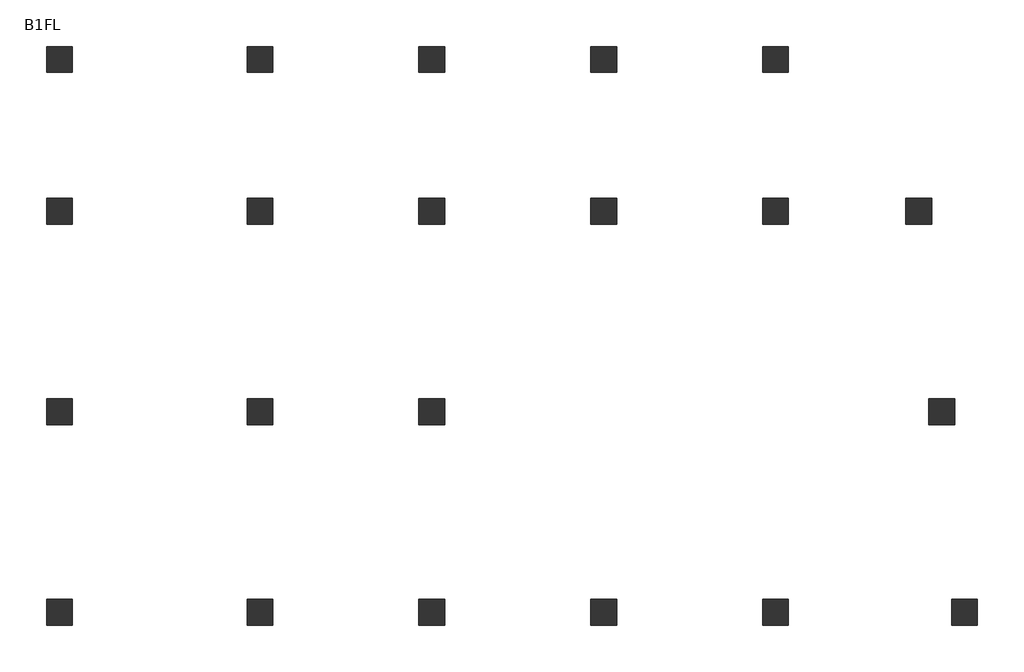
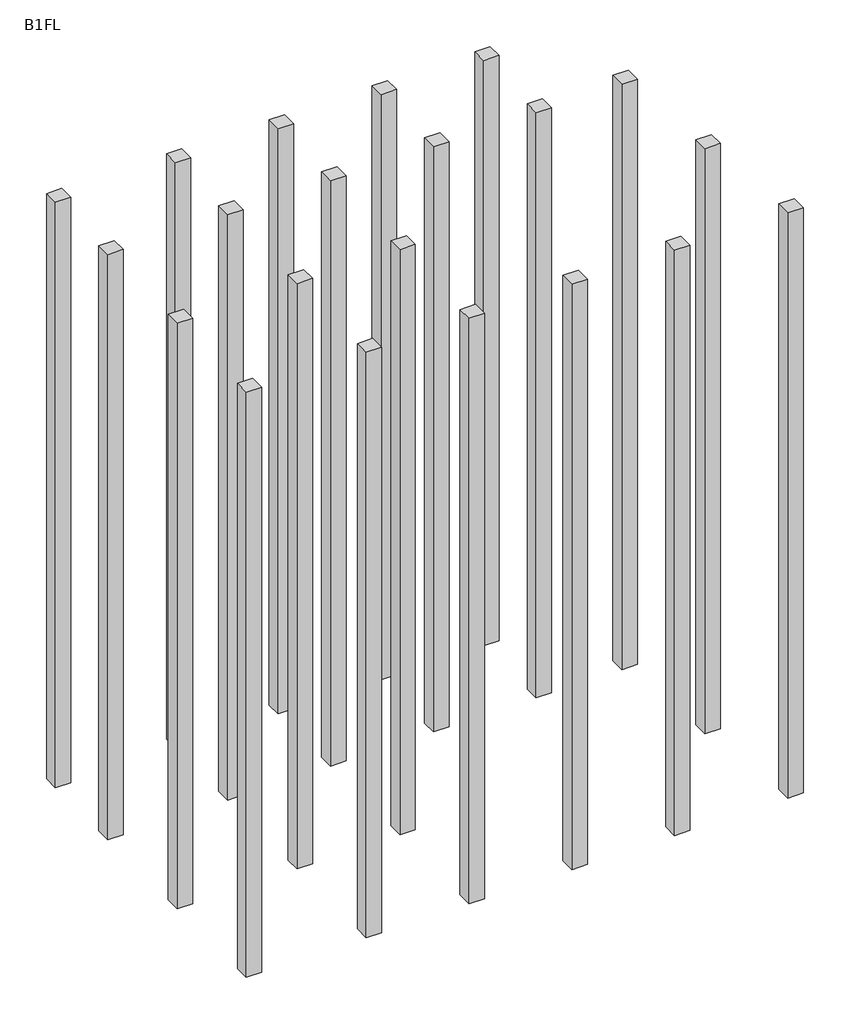
# One storey: 21 columns.
"""IFC4 building model written with IfcOpenShell, lengths in millimetres."""

import ifcopenshell
import ifcopenshell.guid

model = None  # the IFC model being written
_history = None  # IfcOwnerHistory: only IFC2X3 demands one
_inside = {}  # id of a spatial element -> (the spatial element, [elements in it])
_under = {}  # id of a project, library or spatial element -> (it, [spatial elements below it])
_declared = {}  # id of a project -> (the project, [libraries it declares])
_typed = {}  # id of a type object -> (the type object, [elements of that type])
_made_of = {}  # id of a material, layer set ... -> (it, [elements and type objects made of it])


def new_model(schema):
    """Start an empty IFC model of exactly this schema.

    Asked for "IFC4X3", IfcOpenShell would pick the latest addendum, in which some entities
    have other attributes; the version numbers below select the first issue.
    IFC2X3 requires an IfcOwnerHistory on every rooted entity: one is made here for all.
    """
    global model, _history
    if schema == "IFC4X3":
        model = ifcopenshell.file(schema_version=(4, 3, 0, 0))
    else:
        model = ifcopenshell.file(schema=schema)
    _inside.clear()
    _under.clear()
    _declared.clear()
    _typed.clear()
    _made_of.clear()
    _history = None
    if model.schema == "IFC2X3":
        org = make("IfcOrganization", Name="unknown")
        user = make(
            "IfcPersonAndOrganization",
            ThePerson=make("IfcPerson", FamilyName="unknown"),
            TheOrganization=org,
        )
        app = make(
            "IfcApplication",
            ApplicationDeveloper=org,
            Version="unknown",
            ApplicationFullName="unknown",
            ApplicationIdentifier="unknown",
        )
        _history = make(
            "IfcOwnerHistory",
            OwningUser=user,
            OwningApplication=app,
            ChangeAction="ADDED",
            CreationDate=0,
        )
    return model


def make(cls, **values):
    """One entity of the class cls with the attributes given. An attribute that is None is left unset."""
    return model.create_entity(
        cls, **{name: value for name, value in values.items() if value is not None}
    )


def rooted(cls, **values):
    """An entity with a GlobalId (a new one), such as an element, a storey or a relation."""
    return make(cls, GlobalId=ifcopenshell.guid.new(), OwnerHistory=_history, **values)


def si_unit(unit_type, name, prefix=None):
    """IfcSIUnit, for example si_unit("LENGTHUNIT", "METRE", prefix="MILLI")."""
    return make("IfcSIUnit", UnitType=unit_type, Prefix=prefix, Name=name)


def assignment(units):
    """IfcUnitAssignment: the units of a project."""
    return None if units is None else make("IfcUnitAssignment", Units=units)


def point(xyz):
    """IfcCartesianPoint."""
    return None if xyz is None else make("IfcCartesianPoint", Coordinates=xyz)


def direction(xyz):
    """IfcDirection."""
    return None if xyz is None else make("IfcDirection", DirectionRatios=xyz)


def frame(location, z_axis=None, x_axis=None):
    """IfcAxis2Placement3D, a coordinate frame: its origin and axes. An axis left out is left unset."""
    return make(
        "IfcAxis2Placement3D",
        Location=point(location),
        Axis=direction(z_axis),
        RefDirection=direction(x_axis),
    )


def origin():
    """The frame at (0, 0, 0) with its axes left unset."""
    return frame((0.0, 0.0, 0.0))


def place(relative_to, where):
    """IfcLocalPlacement: puts the frame where relative to a parent placement (None: the world)."""
    return make(
        "IfcLocalPlacement", PlacementRelTo=relative_to, RelativePlacement=where
    )


def context(
    kind, dimensions, precision=None, world=None, true_north=None, identifier=None
):
    """IfcGeometricRepresentationContext, for example the 3D "Model" context."""
    return make(
        "IfcGeometricRepresentationContext",
        ContextIdentifier=identifier,
        ContextType=kind,
        CoordinateSpaceDimension=dimensions,
        Precision=precision,
        WorldCoordinateSystem=world,
        TrueNorth=true_north,
    )


def project(units=None, contexts=None):
    """IfcProject with its units and contexts."""
    return rooted(
        "IfcProject",
        Name="project",
        RepresentationContexts=contexts,
        UnitsInContext=assignment(units),
    )


def spatial(cls, under=None, at=None, **own):
    """A site, building, storey or space (cls), placed at a placement, below another one or the project."""
    s = rooted(cls, ObjectPlacement=at, **own)
    if under is not None:
        _under.setdefault(under.id(), (under, []))[1].append(s)
    return s


def polyline(points):
    """IfcPolyline through the points."""
    return make("IfcPolyline", Points=[point(p) for p in points])


def outline(outer, holes=None, kind="AREA"):
    """IfcArbitraryClosedProfileDef: a profile drawn as a closed curve; with holes, ...WithVoids."""
    if holes is None:
        return make("IfcArbitraryClosedProfileDef", ProfileType=kind, OuterCurve=outer)
    return make(
        "IfcArbitraryProfileDefWithVoids",
        ProfileType=kind,
        OuterCurve=outer,
        InnerCurves=holes,
    )


def extrude(swept, where, along, depth):
    """IfcExtrudedAreaSolid: the profile swept, set in the frame where, extruded along a direction by depth."""
    return make(
        "IfcExtrudedAreaSolid",
        SweptArea=swept,
        Position=where,
        ExtrudedDirection=direction(along),
        Depth=depth,
    )


def shape(context_of_items, identifier, shape_type, items):
    """IfcShapeRepresentation: the items that make up one representation, for example the "Body"."""
    return make(
        "IfcShapeRepresentation",
        ContextOfItems=context_of_items,
        RepresentationIdentifier=identifier,
        RepresentationType=shape_type,
        Items=items,
    )


def source(mapping_origin, context_of_items, identifier, shape_type, items):
    """IfcRepresentationMap: a shape defined once, which mapped items show again and again."""
    return make(
        "IfcRepresentationMap",
        MappingOrigin=mapping_origin,
        MappedRepresentation=shape(context_of_items, identifier, shape_type, items),
    )


def transform(
    local_origin,
    x_axis=None,
    y_axis=None,
    z_axis=None,
    scale=None,
    scale2=None,
    scale3=None,
    uniform=True,
):
    """IfcCartesianTransformationOperator3D, or its non-uniform kind. x_axis, y_axis, z_axis: its Axis1, 2, 3."""
    if uniform:
        return make(
            "IfcCartesianTransformationOperator3D",
            Axis1=direction(x_axis),
            Axis2=direction(y_axis),
            LocalOrigin=point(local_origin),
            Scale=scale,
            Axis3=direction(z_axis),
        )
    return make(
        "IfcCartesianTransformationOperator3DnonUniform",
        Axis1=direction(x_axis),
        Axis2=direction(y_axis),
        LocalOrigin=point(local_origin),
        Scale=scale,
        Axis3=direction(z_axis),
        Scale2=scale2,
        Scale3=scale3,
    )


def mapped(mapping_source, mapping_target):
    """IfcMappedItem: shows the shape of a source again, moved by a transform."""
    return make(
        "IfcMappedItem", MappingSource=mapping_source, MappingTarget=mapping_target
    )


def made_of(thing, what):
    """Note that an element or type object is made of a material, layer set ...; save() writes the relation."""
    if what is not None:
        _made_of.setdefault(what.id(), (what, []))[1].append(thing)
    return thing


def element(
    cls,
    number,
    at=None,
    inside=None,
    cuts=None,
    type_object=None,
    material=None,
    context=None,
    identifier="Body",
    shape_type=None,
    held_by="IfcProductDefinitionShape",
    body=None,
    shapes=None,
    **own,
):
    """One element of the class cls, such as IfcWall. Its Tag is "e" and its number.

    at: its placement. inside: the storey or other place that contains it. cuts: it is an
    opening in that element (IfcRelVoidsElement). A single representation is given by context,
    identifier, shape_type and body (its items); several are given by shapes. held_by: the class
    of the entity that holds the representations. save() writes the other relations.
    """
    e = rooted(cls, Tag="e%d" % number, ObjectPlacement=at, **own)
    if body is not None:
        shapes = [shape(context, identifier, shape_type, body)]
    if shapes is not None:
        e.Representation = make(held_by, Representations=shapes)
    if inside is not None:
        _inside.setdefault(inside.id(), (inside, []))[1].append(e)
    if cuts is not None:
        rooted(
            "IfcRelVoidsElement", RelatingBuildingElement=cuts, RelatedOpeningElement=e
        )
    if type_object is not None:
        _typed.setdefault(type_object.id(), (type_object, []))[1].append(e)
    return made_of(e, material)


def aggregate(whole, parts):
    """IfcRelAggregates: a whole, such as a stair, and the parts it consists of."""
    return rooted("IfcRelAggregates", RelatingObject=whole, RelatedObjects=parts)


def save(model, path):
    """Write the relations noted so far, then the file.

    IfcRelAggregates (storeys below a building ...), IfcRelContainedInSpatialStructure (elements
    in a storey), IfcRelDefinesByType, IfcRelAssociatesMaterial and IfcRelDeclares: one each for
    every whole, place, type object, material and project.
    """
    for whole, parts in _under.values():
        aggregate(whole, parts)
    for where, things in _inside.values():
        rooted(
            "IfcRelContainedInSpatialStructure",
            RelatedElements=things,
            RelatingStructure=where,
        )
    for kind, things in _typed.values():
        rooted("IfcRelDefinesByType", RelatedObjects=things, RelatingType=kind)
    for what, things in _made_of.values():
        rooted("IfcRelAssociatesMaterial", RelatedObjects=things, RelatingMaterial=what)
    for by, libraries in _declared.values():
        rooted("IfcRelDeclares", RelatingContext=by, RelatedDefinitions=libraries)
    model.write(path)


def column_900x900_790a040f(model_context):
    return source(origin(), model_context, "Body", "SweptSolid", [
        extrude(outline(polyline([(450.0, -450.0), (-450.0, -450.0), (-450.0, 450.0), (450.0, 450.0), (450.0, -450.0)])), frame((0.0, 0.0, -3500.0), z_axis=(0.0, 0.0, 1.0), x_axis=(1.0, 0.0, 0.0)), (0.0, 0.0, 1.0), 36100.0),
    ])


model = new_model("IFC4")

# Units and contexts
model_context = context("Model", 3, world=origin())
ifc_project = project(units=[si_unit("LENGTHUNIT", "METRE", prefix="MILLI")], contexts=[model_context])

# Site, building, storey
site = spatial("IfcSite", under=ifc_project)
building = spatial("IfcBuilding", under=site)
storey = spatial("IfcBuildingStorey", under=building, Name="B1FL", Elevation=-3500.0)

# Columns
placement = place(None, origin())
column_900x900_shape = column_900x900_790a040f(model_context)
element("IfcColumn", 1, ObjectType="900x900", at=placement, inside=storey, context=model_context, shape_type="MappedRepresentation", body=[
    mapped(column_900x900_shape, transform((-28395.9784025, 16199.6868987, 0.0), x_axis=(1.0, 0.0, 0.0), y_axis=(0.0, 1.0, 0.0), z_axis=(0.0, 0.0, 1.0))),
])
element("IfcColumn", 2, ObjectType="900x900", at=placement, inside=storey, context=model_context, shape_type="MappedRepresentation", body=[
    mapped(column_900x900_shape, transform((-28395.9784025, 10899.6868987, 0.0), x_axis=(1.0, 0.0, 0.0), y_axis=(0.0, 1.0, 0.0), z_axis=(0.0, 0.0, 1.0))),
])
element("IfcColumn", 3, ObjectType="900x900", at=placement, inside=storey, context=model_context, shape_type="MappedRepresentation", body=[
    mapped(column_900x900_shape, transform((-28395.9784025, 3899.6868987, 0.0), x_axis=(1.0, 0.0, 0.0), y_axis=(0.0, 1.0, 0.0), z_axis=(0.0, 0.0, 1.0))),
])
element("IfcColumn", 4, ObjectType="900x900", at=placement, inside=storey, context=model_context, shape_type="MappedRepresentation", body=[
    mapped(column_900x900_shape, transform((-28395.9784025, -3100.3131013, 0.0), x_axis=(1.0, 0.0, 0.0), y_axis=(0.0, 1.0, 0.0), z_axis=(0.0, 0.0, 1.0))),
])
element("IfcColumn", 5, ObjectType="900x900", at=placement, inside=storey, context=model_context, shape_type="MappedRepresentation", body=[
    mapped(column_900x900_shape, transform((-21395.9784025, 16199.6868987, 0.0), x_axis=(1.0, 0.0, 0.0), y_axis=(0.0, 1.0, 0.0), z_axis=(0.0, 0.0, 1.0))),
])
element("IfcColumn", 6, ObjectType="900x900", at=placement, inside=storey, context=model_context, shape_type="MappedRepresentation", body=[
    mapped(column_900x900_shape, transform((-21395.9784025, 10899.6868987, 0.0), x_axis=(1.0, 0.0, 0.0), y_axis=(0.0, 1.0, 0.0), z_axis=(0.0, 0.0, 1.0))),
])
element("IfcColumn", 7, ObjectType="900x900", at=placement, inside=storey, context=model_context, shape_type="MappedRepresentation", body=[
    mapped(column_900x900_shape, transform((-21395.9784025, 3899.6868987, 0.0), x_axis=(1.0, 0.0, 0.0), y_axis=(0.0, 1.0, 0.0), z_axis=(0.0, 0.0, 1.0))),
])
element("IfcColumn", 8, ObjectType="900x900", at=placement, inside=storey, context=model_context, shape_type="MappedRepresentation", body=[
    mapped(column_900x900_shape, transform((-21395.9784025, -3100.3131013, 0.0), x_axis=(1.0, 0.0, 0.0), y_axis=(0.0, 1.0, 0.0), z_axis=(0.0, 0.0, 1.0))),
])
element("IfcColumn", 9, ObjectType="900x900", at=placement, inside=storey, context=model_context, shape_type="MappedRepresentation", body=[
    mapped(column_900x900_shape, transform((-15395.9784025, 16199.6868987, 0.0), x_axis=(1.0, 0.0, 0.0), y_axis=(0.0, 1.0, 0.0), z_axis=(0.0, 0.0, 1.0))),
])
element("IfcColumn", 10, ObjectType="900x900", at=placement, inside=storey, context=model_context, shape_type="MappedRepresentation", body=[
    mapped(column_900x900_shape, transform((-15395.9784025, 10899.6868987, 0.0), x_axis=(1.0, 0.0, 0.0), y_axis=(0.0, 1.0, 0.0), z_axis=(0.0, 0.0, 1.0))),
])
element("IfcColumn", 11, ObjectType="900x900", at=placement, inside=storey, context=model_context, shape_type="MappedRepresentation", body=[
    mapped(column_900x900_shape, transform((-15395.9784025, 3899.6868987, 0.0), x_axis=(1.0, 0.0, 0.0), y_axis=(0.0, 1.0, 0.0), z_axis=(0.0, 0.0, 1.0))),
])
element("IfcColumn", 12, ObjectType="900x900", at=placement, inside=storey, context=model_context, shape_type="MappedRepresentation", body=[
    mapped(column_900x900_shape, transform((-15395.9784025, -3100.3131013, 0.0), x_axis=(1.0, 0.0, 0.0), y_axis=(0.0, 1.0, 0.0), z_axis=(0.0, 0.0, 1.0))),
])
element("IfcColumn", 13, ObjectType="900x900", at=placement, inside=storey, context=model_context, shape_type="MappedRepresentation", body=[
    mapped(column_900x900_shape, transform((-9395.9784025, 16199.6868987, 0.0), x_axis=(1.0, 0.0, 0.0), y_axis=(0.0, 1.0, 0.0), z_axis=(0.0, 0.0, 1.0))),
])
element("IfcColumn", 14, ObjectType="900x900", at=placement, inside=storey, context=model_context, shape_type="MappedRepresentation", body=[
    mapped(column_900x900_shape, transform((-9395.9784025, 10899.6868987, 0.0), x_axis=(1.0, 0.0, 0.0), y_axis=(0.0, 1.0, 0.0), z_axis=(0.0, 0.0, 1.0))),
])
element("IfcColumn", 15, ObjectType="900x900", at=placement, inside=storey, context=model_context, shape_type="MappedRepresentation", body=[
    mapped(column_900x900_shape, transform((-9395.9784025, -3100.3131013, 0.0), x_axis=(1.0, 0.0, 0.0), y_axis=(0.0, 1.0, 0.0), z_axis=(0.0, 0.0, 1.0))),
])
element("IfcColumn", 16, ObjectType="900x900", at=placement, inside=storey, context=model_context, shape_type="MappedRepresentation", body=[
    mapped(column_900x900_shape, transform((-3395.9784025, 16199.6868987, 0.0), x_axis=(1.0, 0.0, 0.0), y_axis=(0.0, 1.0, 0.0), z_axis=(0.0, 0.0, 1.0))),
])
element("IfcColumn", 17, ObjectType="900x900", at=placement, inside=storey, context=model_context, shape_type="MappedRepresentation", body=[
    mapped(column_900x900_shape, transform((-3395.9784025, 10899.6868987, 0.0), x_axis=(1.0, 0.0, 0.0), y_axis=(0.0, 1.0, 0.0), z_axis=(0.0, 0.0, 1.0))),
])
element("IfcColumn", 18, ObjectType="900x900", at=placement, inside=storey, context=model_context, shape_type="MappedRepresentation", body=[
    mapped(column_900x900_shape, transform((-3395.9784025, -3100.3131013, 0.0), x_axis=(1.0, 0.0, 0.0), y_axis=(0.0, 1.0, 0.0), z_axis=(0.0, 0.0, 1.0))),
])
element("IfcColumn", 19, ObjectType="900x900", at=placement, inside=storey, context=model_context, shape_type="MappedRepresentation", body=[
    mapped(column_900x900_shape, transform((1604.0215975, 10899.6868987, 0.0), x_axis=(1.0, 0.0, 0.0), y_axis=(0.0, 1.0, 0.0), z_axis=(0.0, 0.0, 1.0))),
])
element("IfcColumn", 20, ObjectType="900x900", at=placement, inside=storey, context=model_context, shape_type="MappedRepresentation", body=[
    mapped(column_900x900_shape, transform((2404.0215975, 3899.6868987, 0.0), x_axis=(1.0, 0.0, 0.0), y_axis=(0.0, 1.0, 0.0), z_axis=(0.0, 0.0, 1.0))),
])
element("IfcColumn", 21, ObjectType="900x900", at=placement, inside=storey, context=model_context, shape_type="MappedRepresentation", body=[
    mapped(column_900x900_shape, transform((3204.0215975, -3100.3131013, 0.0), x_axis=(1.0, 0.0, 0.0), y_axis=(0.0, 1.0, 0.0), z_axis=(0.0, 0.0, 1.0))),
])

save(model, "model.ifc")
